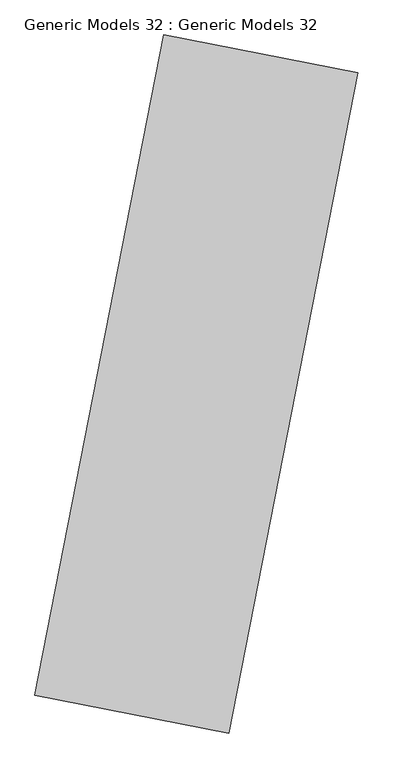
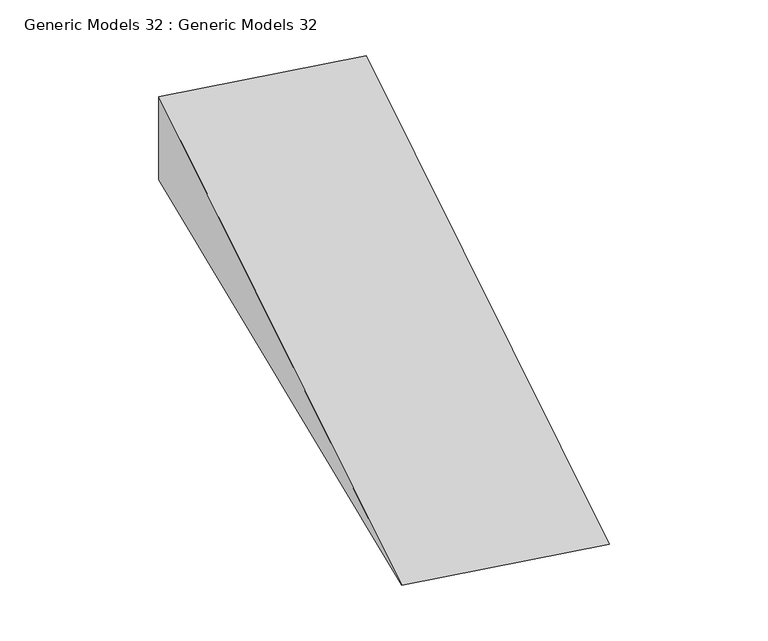
"""IFC4 building model written with IfcOpenShell, lengths in millimetres: proxy geometry, Generic Models 32 : Generic Models 32."""

import ifcopenshell
import ifcopenshell.guid

model = None  # the IFC model being written
_history = None  # IfcOwnerHistory: only IFC2X3 demands one
_inside = {}  # id of a spatial element -> (the spatial element, [elements in it])
_under = {}  # id of a project, library or spatial element -> (it, [spatial elements below it])
_declared = {}  # id of a project -> (the project, [libraries it declares])
_typed = {}  # id of a type object -> (the type object, [elements of that type])
_made_of = {}  # id of a material, layer set ... -> (it, [elements and type objects made of it])


def new_model(schema):
    """Start an empty IFC model of exactly this schema.

    Asked for "IFC4X3", IfcOpenShell would pick the latest addendum, in which some entities
    have other attributes; the version numbers below select the first issue.
    IFC2X3 requires an IfcOwnerHistory on every rooted entity: one is made here for all.
    """
    global model, _history
    if schema == "IFC4X3":
        model = ifcopenshell.file(schema_version=(4, 3, 0, 0))
    else:
        model = ifcopenshell.file(schema=schema)
    _inside.clear()
    _under.clear()
    _declared.clear()
    _typed.clear()
    _made_of.clear()
    _history = None
    if model.schema == "IFC2X3":
        org = make("IfcOrganization", Name="unknown")
        user = make(
            "IfcPersonAndOrganization",
            ThePerson=make("IfcPerson", FamilyName="unknown"),
            TheOrganization=org,
        )
        app = make(
            "IfcApplication",
            ApplicationDeveloper=org,
            Version="unknown",
            ApplicationFullName="unknown",
            ApplicationIdentifier="unknown",
        )
        _history = make(
            "IfcOwnerHistory",
            OwningUser=user,
            OwningApplication=app,
            ChangeAction="ADDED",
            CreationDate=0,
        )
    return model


def make(cls, **values):
    """One entity of the class cls with the attributes given. An attribute that is None is left unset."""
    return model.create_entity(
        cls, **{name: value for name, value in values.items() if value is not None}
    )


def rooted(cls, **values):
    """An entity with a GlobalId (a new one), such as an element, a storey or a relation."""
    return make(cls, GlobalId=ifcopenshell.guid.new(), OwnerHistory=_history, **values)


def si_unit(unit_type, name, prefix=None):
    """IfcSIUnit, for example si_unit("LENGTHUNIT", "METRE", prefix="MILLI")."""
    return make("IfcSIUnit", UnitType=unit_type, Prefix=prefix, Name=name)


def assignment(units):
    """IfcUnitAssignment: the units of a project."""
    return None if units is None else make("IfcUnitAssignment", Units=units)


def point(xyz):
    """IfcCartesianPoint."""
    return None if xyz is None else make("IfcCartesianPoint", Coordinates=xyz)


def direction(xyz):
    """IfcDirection."""
    return None if xyz is None else make("IfcDirection", DirectionRatios=xyz)


def frame(location, z_axis=None, x_axis=None):
    """IfcAxis2Placement3D, a coordinate frame: its origin and axes. An axis left out is left unset."""
    return make(
        "IfcAxis2Placement3D",
        Location=point(location),
        Axis=direction(z_axis),
        RefDirection=direction(x_axis),
    )


def origin():
    """The frame at (0, 0, 0) with its axes left unset."""
    return frame((0.0, 0.0, 0.0))


def place(relative_to, where):
    """IfcLocalPlacement: puts the frame where relative to a parent placement (None: the world)."""
    return make(
        "IfcLocalPlacement", PlacementRelTo=relative_to, RelativePlacement=where
    )


def context(
    kind, dimensions, precision=None, world=None, true_north=None, identifier=None
):
    """IfcGeometricRepresentationContext, for example the 3D "Model" context."""
    return make(
        "IfcGeometricRepresentationContext",
        ContextIdentifier=identifier,
        ContextType=kind,
        CoordinateSpaceDimension=dimensions,
        Precision=precision,
        WorldCoordinateSystem=world,
        TrueNorth=true_north,
    )


def project(units=None, contexts=None):
    """IfcProject with its units and contexts."""
    return rooted(
        "IfcProject",
        Name="project",
        RepresentationContexts=contexts,
        UnitsInContext=assignment(units),
    )


def spatial(cls, under=None, at=None, **own):
    """A site, building, storey or space (cls), placed at a placement, below another one or the project."""
    s = rooted(cls, ObjectPlacement=at, **own)
    if under is not None:
        _under.setdefault(under.id(), (under, []))[1].append(s)
    return s


def polyline(points):
    """IfcPolyline through the points."""
    return make("IfcPolyline", Points=[point(p) for p in points])


def outline(outer, holes=None, kind="AREA"):
    """IfcArbitraryClosedProfileDef: a profile drawn as a closed curve; with holes, ...WithVoids."""
    if holes is None:
        return make("IfcArbitraryClosedProfileDef", ProfileType=kind, OuterCurve=outer)
    return make(
        "IfcArbitraryProfileDefWithVoids",
        ProfileType=kind,
        OuterCurve=outer,
        InnerCurves=holes,
    )


def extrude(swept, where, along, depth):
    """IfcExtrudedAreaSolid: the profile swept, set in the frame where, extruded along a direction by depth."""
    return make(
        "IfcExtrudedAreaSolid",
        SweptArea=swept,
        Position=where,
        ExtrudedDirection=direction(along),
        Depth=depth,
    )


def shape(context_of_items, identifier, shape_type, items):
    """IfcShapeRepresentation: the items that make up one representation, for example the "Body"."""
    return make(
        "IfcShapeRepresentation",
        ContextOfItems=context_of_items,
        RepresentationIdentifier=identifier,
        RepresentationType=shape_type,
        Items=items,
    )


def source(mapping_origin, context_of_items, identifier, shape_type, items):
    """IfcRepresentationMap: a shape defined once, which mapped items show again and again."""
    return make(
        "IfcRepresentationMap",
        MappingOrigin=mapping_origin,
        MappedRepresentation=shape(context_of_items, identifier, shape_type, items),
    )


def transform(
    local_origin,
    x_axis=None,
    y_axis=None,
    z_axis=None,
    scale=None,
    scale2=None,
    scale3=None,
    uniform=True,
):
    """IfcCartesianTransformationOperator3D, or its non-uniform kind. x_axis, y_axis, z_axis: its Axis1, 2, 3."""
    if uniform:
        return make(
            "IfcCartesianTransformationOperator3D",
            Axis1=direction(x_axis),
            Axis2=direction(y_axis),
            LocalOrigin=point(local_origin),
            Scale=scale,
            Axis3=direction(z_axis),
        )
    return make(
        "IfcCartesianTransformationOperator3DnonUniform",
        Axis1=direction(x_axis),
        Axis2=direction(y_axis),
        LocalOrigin=point(local_origin),
        Scale=scale,
        Axis3=direction(z_axis),
        Scale2=scale2,
        Scale3=scale3,
    )


def mapped(mapping_source, mapping_target):
    """IfcMappedItem: shows the shape of a source again, moved by a transform."""
    return make(
        "IfcMappedItem", MappingSource=mapping_source, MappingTarget=mapping_target
    )


def made_of(thing, what):
    """Note that an element or type object is made of a material, layer set ...; save() writes the relation."""
    if what is not None:
        _made_of.setdefault(what.id(), (what, []))[1].append(thing)
    return thing


def element(
    cls,
    number,
    at=None,
    inside=None,
    cuts=None,
    type_object=None,
    material=None,
    context=None,
    identifier="Body",
    shape_type=None,
    held_by="IfcProductDefinitionShape",
    body=None,
    shapes=None,
    **own,
):
    """One element of the class cls, such as IfcWall. Its Tag is "e" and its number.

    at: its placement. inside: the storey or other place that contains it. cuts: it is an
    opening in that element (IfcRelVoidsElement). A single representation is given by context,
    identifier, shape_type and body (its items); several are given by shapes. held_by: the class
    of the entity that holds the representations. save() writes the other relations.
    """
    e = rooted(cls, Tag="e%d" % number, ObjectPlacement=at, **own)
    if body is not None:
        shapes = [shape(context, identifier, shape_type, body)]
    if shapes is not None:
        e.Representation = make(held_by, Representations=shapes)
    if inside is not None:
        _inside.setdefault(inside.id(), (inside, []))[1].append(e)
    if cuts is not None:
        rooted(
            "IfcRelVoidsElement", RelatingBuildingElement=cuts, RelatedOpeningElement=e
        )
    if type_object is not None:
        _typed.setdefault(type_object.id(), (type_object, []))[1].append(e)
    return made_of(e, material)


def aggregate(whole, parts):
    """IfcRelAggregates: a whole, such as a stair, and the parts it consists of."""
    return rooted("IfcRelAggregates", RelatingObject=whole, RelatedObjects=parts)


def save(model, path):
    """Write the relations noted so far, then the file.

    IfcRelAggregates (storeys below a building ...), IfcRelContainedInSpatialStructure (elements
    in a storey), IfcRelDefinesByType, IfcRelAssociatesMaterial and IfcRelDeclares: one each for
    every whole, place, type object, material and project.
    """
    for whole, parts in _under.values():
        aggregate(whole, parts)
    for where, things in _inside.values():
        rooted(
            "IfcRelContainedInSpatialStructure",
            RelatedElements=things,
            RelatingStructure=where,
        )
    for kind, things in _typed.values():
        rooted("IfcRelDefinesByType", RelatedObjects=things, RelatingType=kind)
    for what, things in _made_of.values():
        rooted("IfcRelAssociatesMaterial", RelatedObjects=things, RelatingMaterial=what)
    for by, libraries in _declared.values():
        rooted("IfcRelDeclares", RelatingContext=by, RelatedDefinitions=libraries)
    model.write(path)


def generic_models_32_generic_models_32_48cc42ed(model_context):
    return source(origin(), model_context, "Body", "SweptSolid", [
        extrude(outline(polyline([(-63112.6679791, 0.0), (-63112.6679791, -680.0), (-68113.5212892, 0.0), (-63112.6679791, 0.0)])), frame((-231533.1628078, 1090.3370026, 0.0), z_axis=(-0.9814663616540882, 0.1916344983072897, 0.0), x_axis=(0.1916344983072897, 0.9814663616540882, 0.0)), (0.0, 0.0, 1.0), 1469.4099041),
    ])


if __name__ == "__main__":
    model = new_model("IFC4")
    model_context = context("Model", 3, world=origin())
    ifc_project = project(units=[si_unit("LENGTHUNIT", "METRE", prefix="MILLI")], contexts=[model_context])
    site = spatial("IfcSite", under=ifc_project)
    building = spatial("IfcBuilding", under=site)
    placement = place(None, origin())
    generic_models_32_generic_models_32_shape = generic_models_32_generic_models_32_48cc42ed(model_context)
    element("IfcBuildingElementProxy", 1, Name="Generic Models 32 : Generic Models 32", ObjectType="Generic Models 32 : Generic Models 32", at=placement, inside=building, context=model_context, shape_type="MappedRepresentation", body=[
        mapped(generic_models_32_generic_models_32_shape, transform((0.0, 0.0, 0.0), x_axis=(1.0, 0.0, 0.0), y_axis=(0.0, 1.0, 0.0), z_axis=(0.0, 0.0, 1.0))),
    ])
    save(model, "model.ifc")
